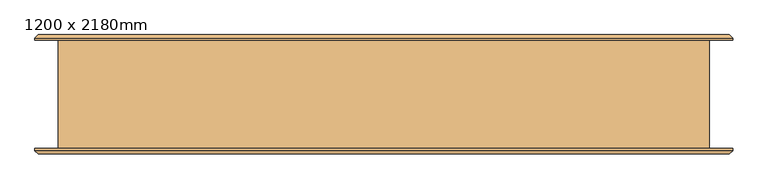
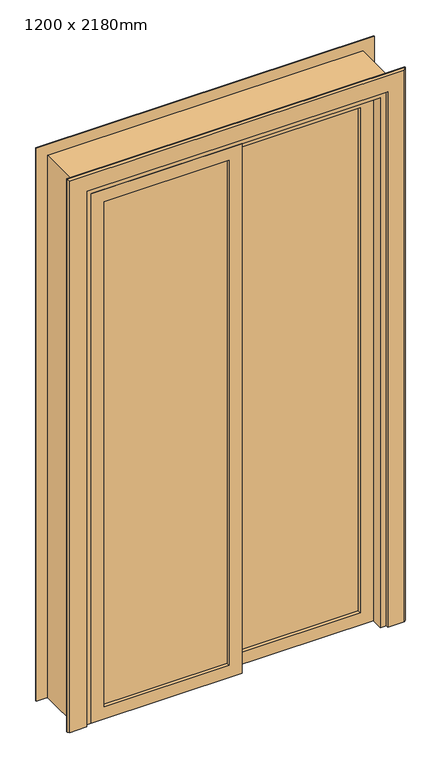
"""IFC4 building model written with IfcOpenShell, lengths in millimetres: door geometry, 1200 x 2180mm."""

from ifc_helpers import new_model, si_unit, point, frame, frame_2d, origin, place, context, project, spatial, polyline, circle_curve, trimmed, segment, composite_curve, outline, extrude, faceted_brep, source, transform, mapped, element, save


def door_1200_x_2180mm_ff625cfc(model_context):
    return source(origin(), model_context, "Body", "SolidModel", [
        extrude(outline(composite_curve([segment(trimmed(circle_curve(frame_2d((990.0, -10.0)), 10.0), [point((1000.0, -10.0))], [point((990.0, -20.0))], False, "CARTESIAN"), True, "CONTINUOUS"), segment(polyline([(990.0, -20.0), (810.0, -20.0)]), True, "CONTINUOUS"), segment(trimmed(circle_curve(frame_2d((810.0, -10.0)), 10.0), [point((810.0, -20.0))], [point((800.0, -10.0))], False, "CARTESIAN"), True, "CONTINUOUS"), segment(polyline([(800.0, -10.0), (800.0, 10.0)]), True, "CONTINUOUS"), segment(trimmed(circle_curve(frame_2d((810.0, 10.0)), 10.0), [point((800.0, 10.0))], [point((810.0, 20.0))], False, "CARTESIAN"), True, "CONTINUOUS"), segment(polyline([(810.0, 20.0), (990.0, 20.0)]), True, "CONTINUOUS"), segment(trimmed(circle_curve(frame_2d((990.0, 10.0)), 10.0), [point((990.0, 20.0))], [point((1000.0, 10.0))], False, "CARTESIAN"), True, "CONTINUOUS"), segment(polyline([(1000.0, 10.0), (1000.0, -10.0)]), True, "CONTINUOUS")], self_intersect=False), holes=[composite_curve([segment(trimmed(circle_curve(frame_2d((985.0, 0.0)), 5.0), [point((985.0, -5.0))], [point((985.0, 5.0))], True, "CARTESIAN"), True, "CONTINUOUS"), segment(trimmed(circle_curve(frame_2d((985.0, 0.0)), 5.0), [point((985.0, 5.0))], [point((985.0, -5.0))], True, "CARTESIAN"), True, "CONTINUOUS")], self_intersect=False), composite_curve([segment(trimmed(circle_curve(frame_2d((815.0, 0.0)), 5.0), [point((815.0, -5.0))], [point((815.0, 5.0))], True, "CARTESIAN"), True, "CONTINUOUS"), segment(trimmed(circle_curve(frame_2d((815.0, 0.0)), 5.0), [point((815.0, 5.0))], [point((815.0, -5.0))], True, "CARTESIAN"), True, "CONTINUOUS")], self_intersect=False), composite_curve([segment(polyline([(960.0, -10.0), (960.0, 10.0)]), True, "CONTINUOUS"), segment(trimmed(circle_curve(frame_2d((955.0, 10.0)), 5.0), [point((960.0, 10.0))], [point((955.0, 15.0))], True, "CARTESIAN"), True, "CONTINUOUS"), segment(polyline([(955.0, 15.0), (845.0, 15.0)]), True, "CONTINUOUS"), segment(trimmed(circle_curve(frame_2d((845.0, 10.0)), 5.0), [point((845.0, 15.0))], [point((840.0, 10.0))], True, "CARTESIAN"), True, "CONTINUOUS"), segment(polyline([(840.0, 10.0), (840.0, -10.0)]), True, "CONTINUOUS"), segment(trimmed(circle_curve(frame_2d((845.0, -10.0)), 5.0), [point((840.0, -10.0))], [point((845.0, -15.0))], True, "CARTESIAN"), True, "CONTINUOUS"), segment(polyline([(845.0, -15.0), (955.0, -15.0)]), True, "CONTINUOUS"), segment(trimmed(circle_curve(frame_2d((955.0, -10.0)), 5.0), [point((955.0, -15.0))], [point((960.0, -10.0))], True, "CARTESIAN"), True, "CONTINUOUS")], self_intersect=False)]), frame((0.0, -15.0, 0.0), z_axis=(0.0, 1.0, 0.0), x_axis=(0.0, 0.0, 1.0)), (0.0, 0.0, 1.0), 3.0),
        extrude(outline(polyline([(2130.0, -550.0), (0.0, -550.0), (0.0, 25.0), (2130.0, 25.0), (2130.0, -550.0)]), holes=[polyline([(2080.0, -25.0), (50.0, -25.0), (50.0, -500.0), (2080.0, -500.0), (2080.0, -25.0)])]), frame((0.0, -100.0, 0.0), z_axis=(0.0, 1.0, 0.0), x_axis=(0.0, 0.0, 1.0)), (0.0, 0.0, 1.0), 40.0),
        extrude(outline(polyline([(2130.0, -25.0), (0.0, -25.0), (0.0, 550.0), (2130.0, 550.0), (2130.0, -25.0)]), holes=[polyline([(2080.0, 500.0), (50.0, 500.0), (50.0, 25.0), (2080.0, 25.0), (2080.0, 500.0)])]), frame((0.0, -55.0, 0.0), z_axis=(0.0, 1.0, 0.0), x_axis=(0.0, 0.0, 1.0)), (0.0, 0.0, 1.0), 40.0),
        extrude(outline(polyline([(0.0, 550.0), (0.0, 600.0), (2180.0, 600.0), (2180.0, -600.0), (0.0, -600.0), (0.0, -550.0), (2130.0, -550.0), (2130.0, 550.0), (0.0, 550.0)])), frame((0.0, -100.0, 0.0), z_axis=(0.0, 1.0, 0.0), x_axis=(0.0, 0.0, 1.0)), (0.0, 0.0, 1.0), 200.0),
        extrude(outline(polyline([(-25.0, -73.0), (-25.0, -87.0), (-500.0, -87.0), (-500.0, -73.0), (-25.0, -73.0)])), frame((0.0, 0.0, 50.0), z_axis=(0.0, 0.0, 1.0), x_axis=(1.0, 0.0, 0.0)), (0.0, 0.0, 1.0), 2030.0),
        extrude(outline(polyline([(500.0, -28.0), (500.0, -42.0), (25.0, -42.0), (25.0, -28.0), (500.0, -28.0)])), frame((0.0, 0.0, 50.0), z_axis=(0.0, 0.0, 1.0), x_axis=(1.0, 0.0, 0.0)), (0.0, 0.0, 1.0), 2030.0),
        extrude(outline(polyline([(-500.0, -73.0), (-25.0, -73.0), (-25.0, -87.0), (-500.0, -87.0), (-500.0, -73.0)])), frame((0.0, 0.0, 50.0), z_axis=(0.0, 0.0, 1.0), x_axis=(1.0, 0.0, 0.0)), (0.0, 0.0, 1.0), 2030.0),
        extrude(outline(polyline([(500.0, -28.0), (500.0, -42.0), (25.0, -42.0), (25.0, -28.0), (500.0, -28.0)])), frame((0.0, 0.0, 50.0), z_axis=(0.0, 0.0, 1.0), x_axis=(1.0, 0.0, 0.0)), (0.0, 0.0, 1.0), 2030.0),
        faceted_brep([(643.0, -104.0, 0.0), (637.0, -110.0, 0.0), (573.0, -110.0, 0.0), (573.0, -100.0, 0.0), (643.0, -100.0, 0.0), (643.0, -104.0, 2223.0), (637.0, -110.0, 2217.0), (-637.0, -110.0, 2217.0), (-637.0, -110.0, 0.0), (-573.0, -110.0, 0.0), (-573.0, -110.0, 2153.0), (573.0, -110.0, 2153.0), (573.0, -100.0, 2153.0), (-573.0, -100.0, 2153.0), (-573.0, -100.0, 0.0), (-643.0, -100.0, 0.0), (-643.0, -100.0, 2223.0), (643.0, -100.0, 2223.0), (-643.0, -104.0, 0.0), (-643.0, -104.0, 2223.0)], [[[0, 1, 2, 3, 4]], [[1, 0, 5, 6]], [[2, 1, 6, 7, 8, 9, 10, 11]], [[3, 2, 11, 12]], [[4, 3, 12, 13, 14, 15, 16, 17]], [[0, 4, 17, 5]], [[18, 15, 14, 9, 8]], [[19, 16, 15, 18]], [[13, 10, 9, 14]], [[7, 19, 18, 8]], [[6, 5, 19, 7]], [[12, 11, 10, 13]], [[5, 17, 16, 19]]]),
        faceted_brep([(-643.0, 104.0, 0.0), (-637.0, 110.0, 0.0), (-573.0, 110.0, 0.0), (-573.0, 100.0, 0.0), (-643.0, 100.0, 0.0), (-643.0, 104.0, 2223.0), (-637.0, 110.0, 2217.0), (637.0, 110.0, 2217.0), (637.0, 110.0, 0.0), (573.0, 110.0, 0.0), (573.0, 110.0, 2153.0), (-573.0, 110.0, 2153.0), (-573.0, 100.0, 2153.0), (573.0, 100.0, 2153.0), (573.0, 100.0, 0.0), (643.0, 100.0, 0.0), (643.0, 100.0, 2223.0), (-643.0, 100.0, 2223.0), (643.0, 104.0, 0.0), (643.0, 104.0, 2223.0)], [[[0, 1, 2, 3, 4]], [[1, 0, 5, 6]], [[2, 1, 6, 7, 8, 9, 10, 11]], [[3, 2, 11, 12]], [[4, 3, 12, 13, 14, 15, 16, 17]], [[0, 4, 17, 5]], [[18, 15, 14, 9, 8]], [[19, 16, 15, 18]], [[13, 10, 9, 14]], [[7, 19, 18, 8]], [[6, 5, 19, 7]], [[12, 11, 10, 13]], [[5, 17, 16, 19]]]),
    ])


if __name__ == "__main__":
    model = new_model("IFC4")
    model_context = context("Model", 3, world=origin())
    ifc_project = project(units=[si_unit("LENGTHUNIT", "METRE", prefix="MILLI")], contexts=[model_context])
    site = spatial("IfcSite", under=ifc_project)
    building = spatial("IfcBuilding", under=site)
    placement = place(None, origin())
    door_1200_x_2180mm_shape = door_1200_x_2180mm_ff625cfc(model_context)
    element("IfcDoor", 1, ObjectType="1200 x 2180mm", at=placement, inside=building, context=model_context, shape_type="MappedRepresentation", body=[
        mapped(door_1200_x_2180mm_shape, transform((0.0, 0.0, 0.0), x_axis=(1.0, 0.0, 0.0), y_axis=(0.0, 1.0, 0.0), z_axis=(0.0, 0.0, 1.0))),
    ])
    save(model, "model.ifc")
